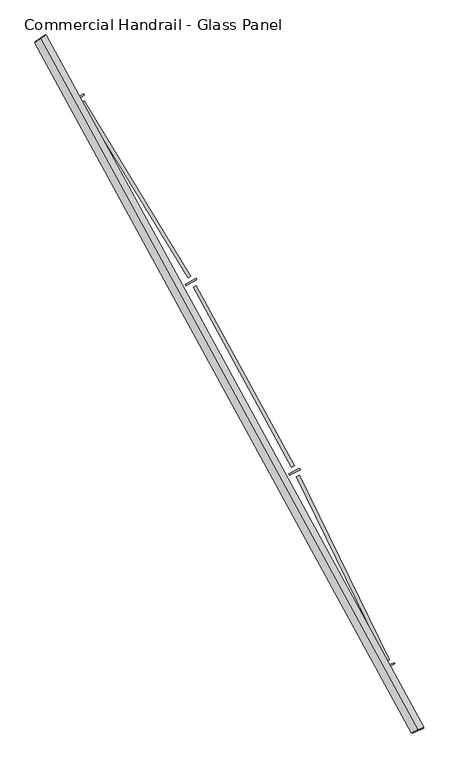
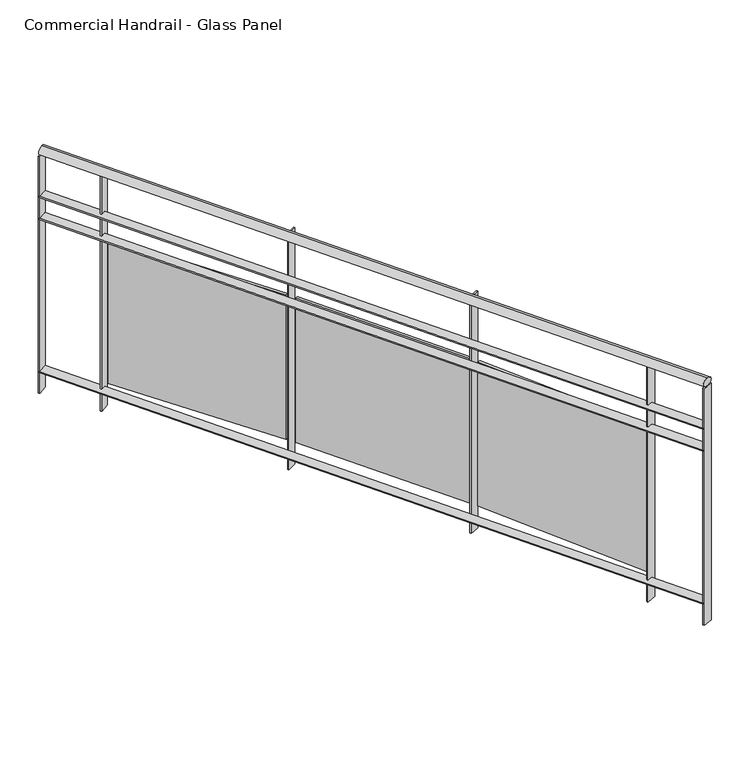
"""IFC4 building model written with IfcOpenShell, lengths in millimetres: railing geometry, Commercial Handrail - Glass Panel."""

import ifcopenshell
import ifcopenshell.guid

model = None  # the IFC model being written
_history = None  # IfcOwnerHistory: only IFC2X3 demands one
_inside = {}  # id of a spatial element -> (the spatial element, [elements in it])
_under = {}  # id of a project, library or spatial element -> (it, [spatial elements below it])
_declared = {}  # id of a project -> (the project, [libraries it declares])
_typed = {}  # id of a type object -> (the type object, [elements of that type])
_made_of = {}  # id of a material, layer set ... -> (it, [elements and type objects made of it])


def new_model(schema):
    """Start an empty IFC model of exactly this schema.

    Asked for "IFC4X3", IfcOpenShell would pick the latest addendum, in which some entities
    have other attributes; the version numbers below select the first issue.
    IFC2X3 requires an IfcOwnerHistory on every rooted entity: one is made here for all.
    """
    global model, _history
    if schema == "IFC4X3":
        model = ifcopenshell.file(schema_version=(4, 3, 0, 0))
    else:
        model = ifcopenshell.file(schema=schema)
    _inside.clear()
    _under.clear()
    _declared.clear()
    _typed.clear()
    _made_of.clear()
    _history = None
    if model.schema == "IFC2X3":
        org = make("IfcOrganization", Name="unknown")
        user = make(
            "IfcPersonAndOrganization",
            ThePerson=make("IfcPerson", FamilyName="unknown"),
            TheOrganization=org,
        )
        app = make(
            "IfcApplication",
            ApplicationDeveloper=org,
            Version="unknown",
            ApplicationFullName="unknown",
            ApplicationIdentifier="unknown",
        )
        _history = make(
            "IfcOwnerHistory",
            OwningUser=user,
            OwningApplication=app,
            ChangeAction="ADDED",
            CreationDate=0,
        )
    return model


def make(cls, **values):
    """One entity of the class cls with the attributes given. An attribute that is None is left unset."""
    return model.create_entity(
        cls, **{name: value for name, value in values.items() if value is not None}
    )


def rooted(cls, **values):
    """An entity with a GlobalId (a new one), such as an element, a storey or a relation."""
    return make(cls, GlobalId=ifcopenshell.guid.new(), OwnerHistory=_history, **values)


def si_unit(unit_type, name, prefix=None):
    """IfcSIUnit, for example si_unit("LENGTHUNIT", "METRE", prefix="MILLI")."""
    return make("IfcSIUnit", UnitType=unit_type, Prefix=prefix, Name=name)


def assignment(units):
    """IfcUnitAssignment: the units of a project."""
    return None if units is None else make("IfcUnitAssignment", Units=units)


def point(xyz):
    """IfcCartesianPoint."""
    return None if xyz is None else make("IfcCartesianPoint", Coordinates=xyz)


def direction(xyz):
    """IfcDirection."""
    return None if xyz is None else make("IfcDirection", DirectionRatios=xyz)


def frame(location, z_axis=None, x_axis=None):
    """IfcAxis2Placement3D, a coordinate frame: its origin and axes. An axis left out is left unset."""
    return make(
        "IfcAxis2Placement3D",
        Location=point(location),
        Axis=direction(z_axis),
        RefDirection=direction(x_axis),
    )


def origin():
    """The frame at (0, 0, 0) with its axes left unset."""
    return frame((0.0, 0.0, 0.0))


def place(relative_to, where):
    """IfcLocalPlacement: puts the frame where relative to a parent placement (None: the world)."""
    return make(
        "IfcLocalPlacement", PlacementRelTo=relative_to, RelativePlacement=where
    )


def context(
    kind, dimensions, precision=None, world=None, true_north=None, identifier=None
):
    """IfcGeometricRepresentationContext, for example the 3D "Model" context."""
    return make(
        "IfcGeometricRepresentationContext",
        ContextIdentifier=identifier,
        ContextType=kind,
        CoordinateSpaceDimension=dimensions,
        Precision=precision,
        WorldCoordinateSystem=world,
        TrueNorth=true_north,
    )


def project(units=None, contexts=None):
    """IfcProject with its units and contexts."""
    return rooted(
        "IfcProject",
        Name="project",
        RepresentationContexts=contexts,
        UnitsInContext=assignment(units),
    )


def spatial(cls, under=None, at=None, **own):
    """A site, building, storey or space (cls), placed at a placement, below another one or the project."""
    s = rooted(cls, ObjectPlacement=at, **own)
    if under is not None:
        _under.setdefault(under.id(), (under, []))[1].append(s)
    return s


def polyline(points):
    """IfcPolyline through the points."""
    return make("IfcPolyline", Points=[point(p) for p in points])


def circle_curve(where, radius):
    """IfcCircle in the frame where."""
    return make("IfcCircle", Position=where, Radius=radius)


def ellipse_curve(where, semi_axis1, semi_axis2):
    """IfcEllipse in the frame where."""
    return make(
        "IfcEllipse", Position=where, SemiAxis1=semi_axis1, SemiAxis2=semi_axis2
    )


def trimmed(basis, trim1, trim2, sense, master):
    """IfcTrimmedCurve: the piece of a basis curve between two trims."""
    return make(
        "IfcTrimmedCurve",
        BasisCurve=basis,
        Trim1=trim1,
        Trim2=trim2,
        SenseAgreement=sense,
        MasterRepresentation=master,
    )


def outline(outer, holes=None, kind="AREA"):
    """IfcArbitraryClosedProfileDef: a profile drawn as a closed curve; with holes, ...WithVoids."""
    if holes is None:
        return make("IfcArbitraryClosedProfileDef", ProfileType=kind, OuterCurve=outer)
    return make(
        "IfcArbitraryProfileDefWithVoids",
        ProfileType=kind,
        OuterCurve=outer,
        InnerCurves=holes,
    )


def extrude(swept, where, along, depth):
    """IfcExtrudedAreaSolid: the profile swept, set in the frame where, extruded along a direction by depth."""
    return make(
        "IfcExtrudedAreaSolid",
        SweptArea=swept,
        Position=where,
        ExtrudedDirection=direction(along),
        Depth=depth,
    )


def shape(context_of_items, identifier, shape_type, items):
    """IfcShapeRepresentation: the items that make up one representation, for example the "Body"."""
    return make(
        "IfcShapeRepresentation",
        ContextOfItems=context_of_items,
        RepresentationIdentifier=identifier,
        RepresentationType=shape_type,
        Items=items,
    )


def source(mapping_origin, context_of_items, identifier, shape_type, items):
    """IfcRepresentationMap: a shape defined once, which mapped items show again and again."""
    return make(
        "IfcRepresentationMap",
        MappingOrigin=mapping_origin,
        MappedRepresentation=shape(context_of_items, identifier, shape_type, items),
    )


def transform(
    local_origin,
    x_axis=None,
    y_axis=None,
    z_axis=None,
    scale=None,
    scale2=None,
    scale3=None,
    uniform=True,
):
    """IfcCartesianTransformationOperator3D, or its non-uniform kind. x_axis, y_axis, z_axis: its Axis1, 2, 3."""
    if uniform:
        return make(
            "IfcCartesianTransformationOperator3D",
            Axis1=direction(x_axis),
            Axis2=direction(y_axis),
            LocalOrigin=point(local_origin),
            Scale=scale,
            Axis3=direction(z_axis),
        )
    return make(
        "IfcCartesianTransformationOperator3DnonUniform",
        Axis1=direction(x_axis),
        Axis2=direction(y_axis),
        LocalOrigin=point(local_origin),
        Scale=scale,
        Axis3=direction(z_axis),
        Scale2=scale2,
        Scale3=scale3,
    )


def mapped(mapping_source, mapping_target):
    """IfcMappedItem: shows the shape of a source again, moved by a transform."""
    return make(
        "IfcMappedItem", MappingSource=mapping_source, MappingTarget=mapping_target
    )


def made_of(thing, what):
    """Note that an element or type object is made of a material, layer set ...; save() writes the relation."""
    if what is not None:
        _made_of.setdefault(what.id(), (what, []))[1].append(thing)
    return thing


def element(
    cls,
    number,
    at=None,
    inside=None,
    cuts=None,
    type_object=None,
    material=None,
    context=None,
    identifier="Body",
    shape_type=None,
    held_by="IfcProductDefinitionShape",
    body=None,
    shapes=None,
    **own,
):
    """One element of the class cls, such as IfcWall. Its Tag is "e" and its number.

    at: its placement. inside: the storey or other place that contains it. cuts: it is an
    opening in that element (IfcRelVoidsElement). A single representation is given by context,
    identifier, shape_type and body (its items); several are given by shapes. held_by: the class
    of the entity that holds the representations. save() writes the other relations.
    """
    e = rooted(cls, Tag="e%d" % number, ObjectPlacement=at, **own)
    if body is not None:
        shapes = [shape(context, identifier, shape_type, body)]
    if shapes is not None:
        e.Representation = make(held_by, Representations=shapes)
    if inside is not None:
        _inside.setdefault(inside.id(), (inside, []))[1].append(e)
    if cuts is not None:
        rooted(
            "IfcRelVoidsElement", RelatingBuildingElement=cuts, RelatedOpeningElement=e
        )
    if type_object is not None:
        _typed.setdefault(type_object.id(), (type_object, []))[1].append(e)
    return made_of(e, material)


def aggregate(whole, parts):
    """IfcRelAggregates: a whole, such as a stair, and the parts it consists of."""
    return rooted("IfcRelAggregates", RelatingObject=whole, RelatedObjects=parts)


def save(model, path):
    """Write the relations noted so far, then the file.

    IfcRelAggregates (storeys below a building ...), IfcRelContainedInSpatialStructure (elements
    in a storey), IfcRelDefinesByType, IfcRelAssociatesMaterial and IfcRelDeclares: one each for
    every whole, place, type object, material and project.
    """
    for whole, parts in _under.values():
        aggregate(whole, parts)
    for where, things in _inside.values():
        rooted(
            "IfcRelContainedInSpatialStructure",
            RelatedElements=things,
            RelatingStructure=where,
        )
    for kind, things in _typed.values():
        rooted("IfcRelDefinesByType", RelatedObjects=things, RelatingType=kind)
    for what, things in _made_of.values():
        rooted("IfcRelAssociatesMaterial", RelatedObjects=things, RelatingMaterial=what)
    for by, libraries in _declared.values():
        rooted("IfcRelDeclares", RelatingContext=by, RelatedDefinitions=libraries)
    model.write(path)


def plane_surface(at):
    """IfcPlane: the flat surface through the origin of the frame at, square to its z axis."""
    return make("IfcPlane", Position=at)


def cylinder_surface(at, radius):
    """IfcCylindricalSurface: all points at the distance radius from the z axis of the frame at."""
    return make("IfcCylindricalSurface", Position=at, Radius=radius)


def revolved_surface(curve, axis_point, axis_direction):
    """IfcSurfaceOfRevolution: the curve turned about the line through axis_point along axis_direction."""
    return make(
        "IfcSurfaceOfRevolution",
        SweptCurve=make("IfcArbitraryOpenProfileDef", ProfileType="CURVE", Curve=curve),
        AxisPosition=make("IfcAxis1Placement", Location=point(axis_point), Axis=direction(axis_direction)),
    )


def advanced_brep(points, edges, surfaces, faces):
    """IfcAdvancedBrep: a solid bounded by faces that lie on surfaces and meet in shared edges.

    An edge is (start, end): straight between two places in points (the first is 0);
    or (start, end, curve); or (start, end, curve, False) where it runs against its curve.
    A face is (place in surfaces, loops), or (place, loops, False) where it looks against
    its surface's normal. A loop lists edges by number (the first is 1), with a minus sign
    where the edge is run from its end to its start. The first loop is the outer one.
    """
    corners = [point(p) for p in points]
    vertices = [make("IfcVertexPoint", VertexGeometry=c) for c in corners]
    made = []
    for start, end, *more in edges:
        made.append(
            make(
                "IfcEdgeCurve",
                EdgeStart=vertices[start],
                EdgeEnd=vertices[end],
                EdgeGeometry=more[0] if more else make("IfcPolyline", Points=[corners[start], corners[end]]),
                SameSense=more[1] if len(more) > 1 else True,
            )
        )
    hull = []
    for where, loops, *sense in faces:
        bounds = []
        for j, loop in enumerate(loops):
            ring = [make("IfcOrientedEdge", EdgeElement=made[abs(k) - 1], Orientation=k > 0) for k in loop]
            bounds.append(
                make(
                    "IfcFaceOuterBound" if j == 0 else "IfcFaceBound",
                    Bound=make("IfcEdgeLoop", EdgeList=ring),
                    Orientation=True,
                )
            )
        hull.append(make("IfcAdvancedFace", Bounds=bounds, FaceSurface=surfaces[where], SameSense=sense[0] if sense else True))
    return make("IfcAdvancedBrep", Outer=make("IfcClosedShell", CfsFaces=hull))


def commercial_handrail_glass_panel_f21e3a90(model_context):
    return source(origin(), model_context, "Body", "SolidModel", [
        advanced_brep(
        [(152681.2087099, -42805.7971709, 36682.5), (154079.9485011, -45365.2391742, 36682.5), (154079.9485011, -45365.2391742, 36717.5), (152681.2087099, -42805.7971709, 36717.5)],
        [
            (0, 1, circle_curve(frame((138512.5563245, -52210.9198633, 36682.5), z_axis=(0.0, 0.0, -1.0), x_axis=(0.9154011077709024, 0.40254293173747885, 0.0)), 17006.0884179)),
            (1, 2, ellipse_curve(frame((154079.9485011, -45365.2391742, 36700.0), z_axis=(-0.402542931737485, 0.9154011077709, 0.0), x_axis=(0.9154011077708998, 0.4025429317374849, 0.0)), 25.0, 17.5)),
            (2, 3, circle_curve(frame((138512.5563245, -52210.9198633, 36717.5), z_axis=(0.0, 0.0, 1.0), x_axis=(0.9154011077709024, 0.40254293173747885, 0.0)), 17006.0884179)),
            (3, 0, ellipse_curve(frame((152681.2087099, -42805.7971709, 36700.0), z_axis=(0.5530444427532956, -0.8331517534877406, 0.0), x_axis=(0.8331517534877404, 0.5530444427532955, 0.0)), 25.0, 17.5)),
            (2, 1, ellipse_curve(frame((154079.9485011, -45365.2391742, 36700.0), z_axis=(-0.402542931737485, 0.9154011077709, 0.0), x_axis=(0.9154011077708998, 0.4025429317374849, 0.0)), 25.0, 17.5)),
            (0, 3, ellipse_curve(frame((152681.2087099, -42805.7971709, 36700.0), z_axis=(0.5530444427532956, -0.8331517534877406, 0.0), x_axis=(0.8331517534877404, 0.5530444427532955, 0.0)), 25.0, 17.5)),
        ],
        [
            revolved_surface(trimmed(ellipse_curve(frame((154079.9485011, -45365.2391742, 36700.0), z_axis=(0.40254293173747885, -0.9154011077709024, 0.0), x_axis=(0.0, 0.0, -1.0)), 17.5, 25.0), [point((154079.9485011, -45365.2391742, 36717.5))], [point((154079.9485011, -45365.2391742, 36682.5))], True, "CARTESIAN"), (138512.5563245, -52210.9198633, 36700.0), (0.0, 0.0, 1.0)),
            revolved_surface(trimmed(ellipse_curve(frame((154079.9485011, -45365.2391742, 36700.0), z_axis=(0.40254293173747885, -0.9154011077709024, 0.0), x_axis=(0.0, 0.0, -1.0)), 17.5, 25.0), [point((154079.9485011, -45365.2391742, 36682.5))], [point((154079.9485011, -45365.2391742, 36717.5))], True, "CARTESIAN"), (138512.5563245, -52210.9198633, 36700.0), (0.0, 0.0, 1.0)),
            plane_surface(frame((154079.9485011, -45365.2391742, 36700.0), z_axis=(0.4025429317374789, -0.9154011077709026, 0.0), x_axis=(0.9154011077709026, 0.4025429317374789, 0.0))),
            plane_surface(frame((152681.2087099, -42805.7971709, 36700.0), z_axis=(-0.5530444427532946, 0.8331517534877412, 0.0), x_axis=(0.8331517534877412, 0.5530444427532946, 0.0))),
        ],
        [
            (0, [[1, 2, 3, 4]]),
            (1, [[-3, 5, -1, 6]]),
            (2, [[-2, -5]]),
            (3, [[-6, -4]]),
        ],
    ),
        advanced_brep(
        [(152662.4627954, -42818.2406708, 36500.0), (154059.3519762, -45374.2963902, 36500.0), (154100.545026, -45356.1819583, 36500.0), (152699.9546243, -42793.3536709, 36500.0), (152662.4627954, -42818.2406708, 36494.0), (154059.3519762, -45374.2963902, 36494.0), (152699.9546243, -42793.3536709, 36494.0), (154100.545026, -45356.1819583, 36494.0)],
        [
            (0, 1, circle_curve(frame((138512.5563245, -52210.9198633, 36500.0), z_axis=(0.0, 0.0, -1.0), x_axis=(0.9154011077709024, 0.40254293173747885, 0.0)), 16983.5884179)),
            (1, 2),
            (2, 3, circle_curve(frame((138512.5563245, -52210.9198633, 36500.0), z_axis=(0.0, 0.0, 1.0), x_axis=(0.9154011077709024, 0.40254293173747885, 0.0)), 17028.5884179)),
            (3, 0),
            (4, 5, circle_curve(frame((138512.5563245, -52210.9198633, 36494.0), z_axis=(0.0, 0.0, -1.0), x_axis=(0.9154011077709024, 0.40254293173747885, 0.0)), 16983.5884179)),
            (5, 1),
            (0, 4),
            (6, 7, circle_curve(frame((138512.5563245, -52210.9198633, 36494.0), z_axis=(0.0, 0.0, -1.0), x_axis=(0.9154011077709024, 0.40254293173747885, 0.0)), 17028.5884179)),
            (7, 5),
            (4, 6),
            (2, 7),
            (6, 3),
        ],
        [
            plane_surface(frame((138512.5563245, -52210.9198633, 36500.0), z_axis=(0.0, 0.0, 1.0000000000000002), x_axis=(0.9154011077709026, 0.4025429317374789, 0.0))),
            revolved_surface(polyline([(154059.35197617073, -45374.296390135845, 36500.0), (154059.35197617073, -45374.296390135845, 36494.0)]), (138512.5563245, -52210.9198633, 36500.0), (0.0, 0.0, 1.0)),
            plane_surface(frame((138512.5563245, -52210.9198633, 36494.0), z_axis=(0.0, 0.0, -1.0000000000000002), x_axis=(0.9154011077709026, 0.4025429317374789, 0.0))),
            cylinder_surface(frame((138512.5563245, -52210.9198633, 36500.0), z_axis=(0.0, 0.0, 1.0), x_axis=(0.9154011077709024, 0.40254293173747885, 0.0)), 17028.5884179),
            plane_surface(frame((154079.9485011, -45365.2391742, 36500.0), z_axis=(0.4025429317374789, -0.9154011077709026, 0.0), x_axis=(0.9154011077709026, 0.4025429317374789, 0.0))),
            plane_surface(frame((152681.2087099, -42805.7971709, 36500.0), z_axis=(-0.5530444427532946, 0.8331517534877412, 0.0), x_axis=(0.8331517534877412, 0.5530444427532946, 0.0))),
        ],
        [
            (0, [[1, 2, 3, 4]]),
            (1, [[5, 6, -1, 7]]),
            (2, [[8, 9, -5, 10]]),
            (3, [[-3, 11, -8, 12]]),
            (4, [[-2, -6, -9, -11]]),
            (5, [[-12, -10, -7, -4]]),
        ],
    ),
        advanced_brep(
        [(152662.4627954, -42818.2406708, 36400.0), (154059.3519762, -45374.2963902, 36400.0), (154100.545026, -45356.1819583, 36400.0), (152699.9546243, -42793.3536709, 36400.0), (152662.4627954, -42818.2406708, 36394.0), (154059.3519762, -45374.2963902, 36394.0), (152699.9546243, -42793.3536709, 36394.0), (154100.545026, -45356.1819583, 36394.0)],
        [
            (0, 1, circle_curve(frame((138512.5563245, -52210.9198633, 36400.0), z_axis=(0.0, 0.0, -1.0), x_axis=(0.9154011077709024, 0.40254293173747885, 0.0)), 16983.5884179)),
            (1, 2),
            (2, 3, circle_curve(frame((138512.5563245, -52210.9198633, 36400.0), z_axis=(0.0, 0.0, 1.0), x_axis=(0.9154011077709024, 0.40254293173747885, 0.0)), 17028.5884179)),
            (3, 0),
            (4, 5, circle_curve(frame((138512.5563245, -52210.9198633, 36394.0), z_axis=(0.0, 0.0, -1.0), x_axis=(0.9154011077709024, 0.40254293173747885, 0.0)), 16983.5884179)),
            (5, 1),
            (0, 4),
            (6, 7, circle_curve(frame((138512.5563245, -52210.9198633, 36394.0), z_axis=(0.0, 0.0, -1.0), x_axis=(0.9154011077709024, 0.40254293173747885, 0.0)), 17028.5884179)),
            (7, 5),
            (4, 6),
            (2, 7),
            (6, 3),
        ],
        [
            plane_surface(frame((138512.5563245, -52210.9198633, 36400.0), z_axis=(0.0, 0.0, 1.0000000000000002), x_axis=(0.9154011077709026, 0.4025429317374789, 0.0))),
            revolved_surface(polyline([(154059.35197617073, -45374.296390135845, 36400.0), (154059.35197617073, -45374.296390135845, 36394.0)]), (138512.5563245, -52210.9198633, 36400.0), (0.0, 0.0, 1.0)),
            plane_surface(frame((138512.5563245, -52210.9198633, 36394.0), z_axis=(0.0, 0.0, -1.0000000000000002), x_axis=(0.9154011077709026, 0.4025429317374789, 0.0))),
            cylinder_surface(frame((138512.5563245, -52210.9198633, 36400.0), z_axis=(0.0, 0.0, 1.0), x_axis=(0.9154011077709024, 0.40254293173747885, 0.0)), 17028.5884179),
            plane_surface(frame((154079.9485011, -45365.2391742, 36400.0), z_axis=(0.4025429317374789, -0.9154011077709026, 0.0), x_axis=(0.9154011077709026, 0.4025429317374789, 0.0))),
            plane_surface(frame((152681.2087099, -42805.7971709, 36400.0), z_axis=(-0.5530444427532946, 0.8331517534877412, 0.0), x_axis=(0.8331517534877412, 0.5530444427532946, 0.0))),
        ],
        [
            (0, [[1, 2, 3, 4]]),
            (1, [[5, 6, -1, 7]]),
            (2, [[8, 9, -5, 10]]),
            (3, [[-3, 11, -8, 12]]),
            (4, [[-2, -6, -9, -11]]),
            (5, [[-12, -10, -7, -4]]),
        ],
    ),
        advanced_brep(
        [(152662.4627954, -42818.2406708, 35700.0), (154059.3519762, -45374.2963902, 35700.0), (154100.545026, -45356.1819583, 35700.0), (152699.9546243, -42793.3536709, 35700.0), (152662.4627954, -42818.2406708, 35694.0), (154059.3519762, -45374.2963902, 35694.0), (152699.9546243, -42793.3536709, 35694.0), (154100.545026, -45356.1819583, 35694.0)],
        [
            (0, 1, circle_curve(frame((138512.5563245, -52210.9198633, 35700.0), z_axis=(0.0, 0.0, -1.0), x_axis=(0.9154011077709024, 0.40254293173747885, 0.0)), 16983.5884179)),
            (1, 2),
            (2, 3, circle_curve(frame((138512.5563245, -52210.9198633, 35700.0), z_axis=(0.0, 0.0, 1.0), x_axis=(0.9154011077709024, 0.40254293173747885, 0.0)), 17028.5884179)),
            (3, 0),
            (4, 5, circle_curve(frame((138512.5563245, -52210.9198633, 35694.0), z_axis=(0.0, 0.0, -1.0), x_axis=(0.9154011077709024, 0.40254293173747885, 0.0)), 16983.5884179)),
            (5, 1),
            (0, 4),
            (6, 7, circle_curve(frame((138512.5563245, -52210.9198633, 35694.0), z_axis=(0.0, 0.0, -1.0), x_axis=(0.9154011077709024, 0.40254293173747885, 0.0)), 17028.5884179)),
            (7, 5),
            (4, 6),
            (2, 7),
            (6, 3),
        ],
        [
            plane_surface(frame((138512.5563245, -52210.9198633, 35700.0), z_axis=(0.0, 0.0, 1.0000000000000002), x_axis=(0.9154011077709026, 0.4025429317374789, 0.0))),
            revolved_surface(polyline([(154059.35197617073, -45374.296390135845, 35700.0), (154059.35197617073, -45374.296390135845, 35694.0)]), (138512.5563245, -52210.9198633, 35700.0), (0.0, 0.0, 1.0)),
            plane_surface(frame((138512.5563245, -52210.9198633, 35694.0), z_axis=(0.0, 0.0, -1.0000000000000002), x_axis=(0.9154011077709026, 0.4025429317374789, 0.0))),
            cylinder_surface(frame((138512.5563245, -52210.9198633, 35700.0), z_axis=(0.0, 0.0, 1.0), x_axis=(0.9154011077709024, 0.40254293173747885, 0.0)), 17028.5884179),
            plane_surface(frame((154079.9485011, -45365.2391742, 35700.0), z_axis=(0.4025429317374789, -0.9154011077709026, 0.0), x_axis=(0.9154011077709026, 0.4025429317374789, 0.0))),
            plane_surface(frame((152681.2087099, -42805.7971709, 35700.0), z_axis=(-0.5530444427532946, 0.8331517534877412, 0.0), x_axis=(0.8331517534877412, 0.5530444427532946, 0.0))),
        ],
        [
            (0, [[1, 2, 3, 4]]),
            (1, [[5, 6, -1, 7]]),
            (2, [[8, 9, -5, 10]]),
            (3, [[-3, 11, -8, 12]]),
            (4, [[-2, -6, -9, -11]]),
            (5, [[-12, -10, -7, -4]]),
        ],
    ),
        extrude(outline(polyline([(152843.9746071, -43014.0028518), (152806.1064717, -43038.3134324), (152802.865061, -43033.2643477), (152840.7331963, -43008.9537671), (152843.9746071, -43014.0028518)])), frame((0.0, 0.0, 35600.0), z_axis=(0.0, 0.0, 1.0), x_axis=(1.0, 0.0, 0.0)), (0.0, 0.0, 1.0), 1082.1192282),
        extrude(outline(polyline([(153228.1233935, -43690.3863087), (152832.6997466, -43041.3561558), (152842.9475911, -43035.1126245), (153238.371238, -43684.1427775), (153228.1233935, -43690.3863087)])), frame((0.0, 0.0, 35720.0), z_axis=(0.0, 0.0, 1.0), x_axis=(1.0, 0.0, 0.0)), (0.0, 0.0, 1.0), 660.0),
        extrude(outline(polyline([(153260.6017897, -43698.1067288), (153221.6323507, -43720.6096803), (153218.6319572, -43715.4137551), (153257.6013961, -43692.9108036), (153260.6017897, -43698.1067288)])), frame((0.0, 0.0, 35600.0), z_axis=(0.0, 0.0, 1.0), x_axis=(1.0, 0.0, 0.0)), (0.0, 0.0, 1.0), 1082.1192282),
        extrude(outline(polyline([(153612.5189238, -44391.8063767), (153248.0531233, -43724.8995764), (153258.5832307, -43719.1448533), (153623.0490312, -44386.0516536), (153612.5189238, -44391.8063767)])), frame((0.0, 0.0, 35720.0), z_axis=(0.0, 0.0, 1.0), x_axis=(1.0, 0.0, 0.0)), (0.0, 0.0, 1.0), 660.0),
        extrude(outline(polyline([(153644.5983402, -44401.0455404), (153604.6138191, -44421.6910742), (153601.8610812, -44416.3598047), (153641.8456024, -44395.7142709), (153644.5983402, -44401.0455404)])), frame((0.0, 0.0, 35600.0), z_axis=(0.0, 0.0, 1.0), x_axis=(1.0, 0.0, 0.0)), (0.0, 0.0, 1.0), 1082.1192282),
        extrude(outline(polyline([(153963.5051916, -45110.5265416), (153630.8036324, -44427.2186516), (153641.5927043, -44421.9654691), (153974.2942635, -45105.273359), (153963.5051916, -45110.5265416)])), frame((0.0, 0.0, 35720.0), z_axis=(0.0, 0.0, 1.0), x_axis=(1.0, 0.0, 0.0)), (0.0, 0.0, 1.0), 660.0),
        extrude(outline(polyline([(153995.1146513, -45121.2640068), (153954.2035152, -45140.0064439), (153951.7045236, -45134.5516257), (153992.6156597, -45115.8091887), (153995.1146513, -45121.2640068)])), frame((0.0, 0.0, 35600.0), z_axis=(0.0, 0.0, 1.0), x_axis=(1.0, 0.0, 0.0)), (0.0, 0.0, 1.0), 1082.1192282),
        extrude(outline(polyline([(152701.6137576, -42795.8531262), (152664.1219287, -42820.7401261), (152660.8036621, -42815.7412156), (152698.295491, -42790.8542156), (152701.6137576, -42795.8531262)])), frame((0.0, 0.0, 35600.0), z_axis=(0.0, 0.0, 1.0), x_axis=(1.0, 0.0, 0.0)), (0.0, 0.0, 1.0), 1082.1192282),
        extrude(outline(polyline([(154101.7526548, -45358.9281616), (154060.559605, -45377.0425935), (154058.1443474, -45371.5501869), (154099.3373972, -45353.4357549), (154101.7526548, -45358.9281616)])), frame((0.0, 0.0, 35600.0), z_axis=(0.0, 0.0, 1.0), x_axis=(1.0, 0.0, 0.0)), (0.0, 0.0, 1.0), 1082.1192282),
    ])


if __name__ == "__main__":
    model = new_model("IFC4")
    model_context = context("Model", 3, world=origin())
    ifc_project = project(units=[si_unit("LENGTHUNIT", "METRE", prefix="MILLI")], contexts=[model_context])
    site = spatial("IfcSite", under=ifc_project)
    building = spatial("IfcBuilding", under=site)
    placement = place(None, origin())
    commercial_handrail_glass_panel_shape = commercial_handrail_glass_panel_f21e3a90(model_context)
    element("IfcRailing", 1, ObjectType="Commercial Handrail - Glass Panel", at=placement, inside=building, context=model_context, shape_type="MappedRepresentation", body=[
        mapped(commercial_handrail_glass_panel_shape, transform((0.0, 0.0, 0.0), x_axis=(1.0, 0.0, 0.0), y_axis=(0.0, 1.0, 0.0), z_axis=(0.0, 0.0, 1.0))),
    ])
    save(model, "model.ifc")
